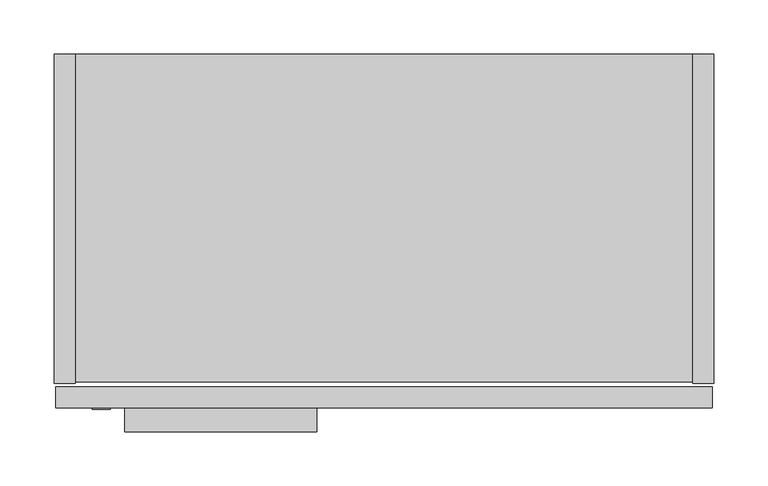
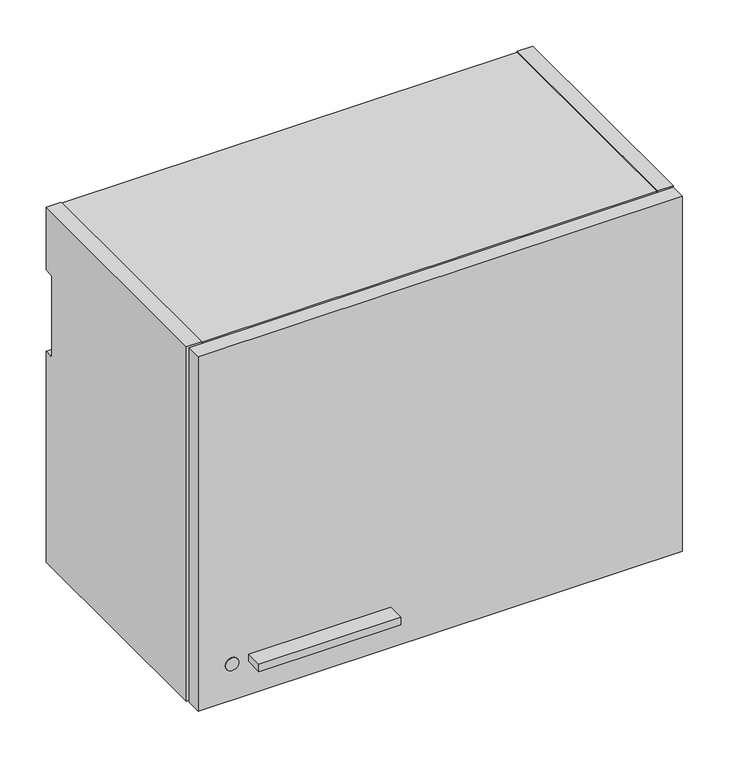
"""IFC4 building model written with IfcOpenShell, lengths in millimetres: furniture geometry."""

from ifc_helpers import new_model, si_unit, point, frame, frame_2d, origin, place, context, project, spatial, polyline, circle_curve, trimmed, segment, composite_curve, outline, extrude, source, transform, mapped, element, save


def furniture_1df54344(model_context):
    return source(origin(), model_context, "Body", "SweptSolid", [
        extrude(outline(polyline([(242.8875, -349.25), (65.0875, -349.25), (65.0875, -327.025), (242.8875, -327.025), (242.8875, -349.25)])), frame((0.0, 0.0, 2228.2531), z_axis=(0.0, 0.0, 1.0), x_axis=(1.0, 0.0, 0.0)), (0.0, 0.0, 1.0), 9.525),
        extrude(outline(polyline([(609.6, -304.546), (590.296, -304.546), (590.296, 0.0), (609.6, 0.0), (609.6, -304.546)])), frame((0.0, 0.0, 2184.4), z_axis=(0.0, 0.0, 1.0), x_axis=(1.0, 0.0, 0.0)), (0.0, 0.0, 1.0), 469.9),
        extrude(outline(polyline([(590.296, -303.022), (19.304, -303.022), (19.304, -12.7), (590.296, -12.7), (590.296, -303.022)])), frame((0.0, 0.0, 2185.924), z_axis=(0.0, 0.0, 1.0), x_axis=(1.0, 0.0, 0.0)), (0.0, 0.0, 1.0), 19.304),
        extrude(outline(polyline([(590.296, -12.7), (590.296, -32.004), (19.304, -32.004), (19.304, -12.7), (590.296, -12.7)])), frame((0.0, 0.0, 2205.228), z_axis=(0.0, 0.0, 1.0), x_axis=(1.0, 0.0, 0.0)), (0.0, 0.0, 1.0), 429.768),
        extrude(outline(composite_curve([segment(polyline([(-304.546, 2184.4), (-304.546, 2654.3), (0.0, 2654.3), (0.0, 2571.242), (-9.5254487, 2571.242)]), True, "CONTINUOUS"), segment(trimmed(circle_curve(frame_2d((-9.5254487, 2568.0674487)), 3.1745513), [point((-9.5254487, 2571.242))], [point((-12.7, 2568.0674487))], True, "CARTESIAN"), True, "CONTINUOUS"), segment(polyline([(-12.7, 2568.0674487), (-12.7, 2466.467)]), True, "CONTINUOUS"), segment(trimmed(circle_curve(frame_2d((-9.525, 2466.467)), 3.175), [point((-12.7, 2466.467))], [point((-9.525, 2463.292))], True, "CARTESIAN"), True, "CONTINUOUS"), segment(polyline([(-9.525, 2463.292), (0.0, 2463.292), (0.0, 2184.4), (-304.546, 2184.4)]), True, "CONTINUOUS")], self_intersect=False)), frame((0.0, 0.0, 0.0), z_axis=(1.0, 0.0, 0.0), x_axis=(0.0, 1.0, 0.0)), (0.0, 0.0, 1.0), 19.304),
        extrude(outline(polyline([(590.296, -303.022), (19.304, -303.022), (19.304, 0.0), (590.296, 0.0), (590.296, -303.022)])), frame((0.0, 0.0, 2634.996), z_axis=(0.0, 0.0, 1.0), x_axis=(1.0, 0.0, 0.0)), (0.0, 0.0, 1.0), 17.78),
        extrude(outline(polyline([(608.0125, -327.025), (1.5875, -327.025), (1.5875, -307.721), (608.0125, -307.721), (608.0125, -327.025)])), frame((0.0, 0.0, 2184.4), z_axis=(0.0, 0.0, 1.0), x_axis=(1.0, 0.0, 0.0)), (0.0, 0.0, 1.0), 469.9),
        extrude(outline(composite_curve([segment(trimmed(circle_curve(frame_2d((2233.0156, 43.4975)), 8.1915), [point((2233.0156, 35.306))], [point((2233.0156, 51.689))], False, "CARTESIAN"), True, "CONTINUOUS"), segment(trimmed(circle_curve(frame_2d((2233.0156, 43.4975)), 8.1915), [point((2233.0156, 51.689))], [point((2233.0156, 35.306))], False, "CARTESIAN"), True, "CONTINUOUS")], self_intersect=False)), frame((0.0, -328.6125, 0.0), z_axis=(0.0, 1.0, 0.0), x_axis=(0.0, 0.0, 1.0)), (0.0, 0.0, 1.0), 1.5875),
    ])


if __name__ == "__main__":
    model = new_model("IFC4")
    model_context = context("Model", 3, world=origin())
    ifc_project = project(units=[si_unit("LENGTHUNIT", "METRE", prefix="MILLI")], contexts=[model_context])
    site = spatial("IfcSite", under=ifc_project)
    building = spatial("IfcBuilding", under=site)
    placement = place(None, origin())
    furniture_shape = furniture_1df54344(model_context)
    element("IfcFurniture", 1, at=placement, inside=building, context=model_context, shape_type="MappedRepresentation", body=[
        mapped(furniture_shape, transform((0.0, 0.0, 0.0), x_axis=(1.0, 0.0, 0.0), y_axis=(0.0, 1.0, 0.0), z_axis=(0.0, 0.0, 1.0))),
    ])
    save(model, "model.ifc")
